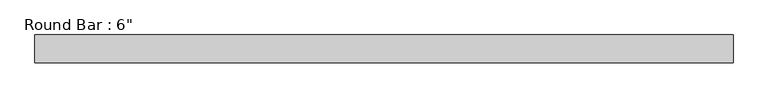
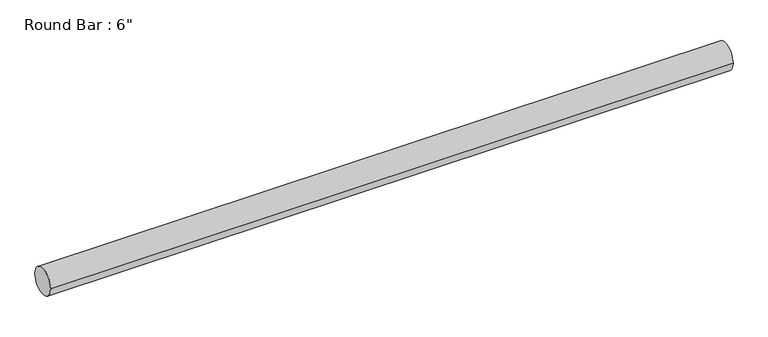
"""IFC4 building model written with IfcOpenShell, lengths in millimetres: beam geometry."""

from ifc_helpers import new_model, si_unit, point, frame, origin, origin_2d, place, context, project, spatial, circle_curve, trimmed, segment, composite_curve, outline, extrude, source, transform, mapped, element, save


def beam_2b93bf22(model_context):
    return source(origin(), model_context, "Body", "SweptSolid", [
        extrude(outline(composite_curve([segment(trimmed(circle_curve(origin_2d(), 76.2), [point((-76.2, 0.0))], [point((76.2, 0.0))], False, "CARTESIAN"), True, "CONTINUOUS"), segment(trimmed(circle_curve(origin_2d(), 76.2), [point((76.2, 0.0))], [point((-76.2, 0.0))], False, "CARTESIAN"), True, "CONTINUOUS")], self_intersect=False)), frame((-1908.3292735, 0.0, 0.0), z_axis=(1.0, 0.0, 0.0), x_axis=(0.0, 1.0, 0.0)), (0.0, 0.0, 1.0), 3835.19227),
    ])


if __name__ == "__main__":
    model = new_model("IFC4")
    model_context = context("Model", 3, world=origin())
    ifc_project = project(units=[si_unit("LENGTHUNIT", "METRE", prefix="MILLI")], contexts=[model_context])
    site = spatial("IfcSite", under=ifc_project)
    building = spatial("IfcBuilding", under=site)
    placement = place(None, origin())
    beam_shape = beam_2b93bf22(model_context)
    element("IfcBeam", 1, ObjectType="Round Bar : 6\"", at=placement, inside=building, context=model_context, shape_type="MappedRepresentation", body=[
        mapped(beam_shape, transform((0.0, 0.0, 0.0), x_axis=(1.0, 0.0, 0.0), y_axis=(0.0, 1.0, 0.0), z_axis=(0.0, 0.0, 1.0))),
    ])
    save(model, "model.ifc")
